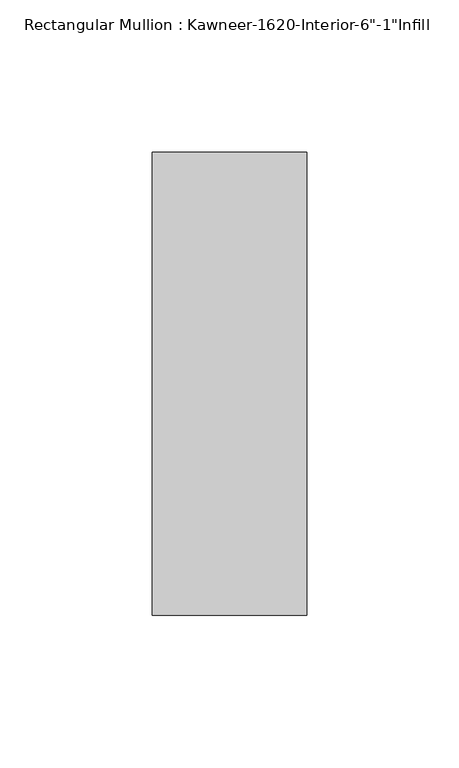
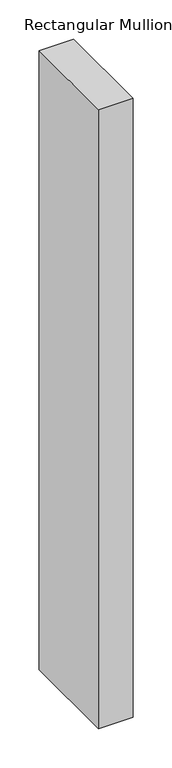
"""IFC4 building model written with IfcOpenShell, lengths in millimetres: member geometry."""

from ifc_helpers import new_model, si_unit, frame, origin, place, context, project, spatial, polyline, outline, extrude, source, transform, mapped, element, save


def member_99965eb9(model_context):
    return source(origin(), model_context, "Body", "SweptSolid", [
        extrude(outline(polyline([(25.4, -114.3), (-25.4, -114.3), (-25.4, 38.1), (25.4, 38.1), (25.4, -114.3)])), frame((0.0, 0.0, -965.2), z_axis=(0.0, 0.0, 1.0), x_axis=(1.0, 0.0, 0.0)), (0.0, 0.0, 1.0), 965.2),
    ])


if __name__ == "__main__":
    model = new_model("IFC4")
    model_context = context("Model", 3, world=origin())
    ifc_project = project(units=[si_unit("LENGTHUNIT", "METRE", prefix="MILLI")], contexts=[model_context])
    site = spatial("IfcSite", under=ifc_project)
    building = spatial("IfcBuilding", under=site)
    placement = place(None, origin())
    member_shape = member_99965eb9(model_context)
    element("IfcMember", 1, ObjectType="Rectangular Mullion : Kawneer-1620-Interior-6\"-1\"Infill", at=placement, inside=building, context=model_context, shape_type="MappedRepresentation", body=[
        mapped(member_shape, transform((0.0, 0.0, 0.0), x_axis=(1.0, 0.0, 0.0), y_axis=(0.0, 1.0, 0.0), z_axis=(0.0, 0.0, 1.0))),
    ])
    save(model, "model.ifc")
